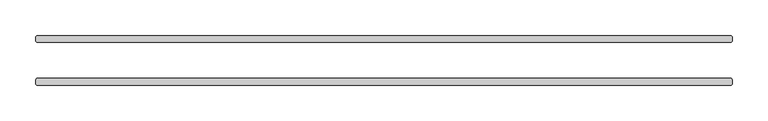
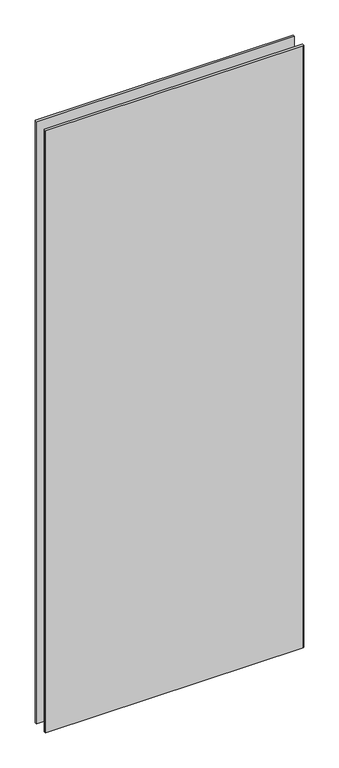
"""IFC4 building model written with IfcOpenShell, lengths in millimetres: plate geometry."""

import ifcopenshell
import ifcopenshell.guid

model = None  # the IFC model being written
_history = None  # IfcOwnerHistory: only IFC2X3 demands one
_inside = {}  # id of a spatial element -> (the spatial element, [elements in it])
_under = {}  # id of a project, library or spatial element -> (it, [spatial elements below it])
_declared = {}  # id of a project -> (the project, [libraries it declares])
_typed = {}  # id of a type object -> (the type object, [elements of that type])
_made_of = {}  # id of a material, layer set ... -> (it, [elements and type objects made of it])


def new_model(schema):
    """Start an empty IFC model of exactly this schema.

    Asked for "IFC4X3", IfcOpenShell would pick the latest addendum, in which some entities
    have other attributes; the version numbers below select the first issue.
    IFC2X3 requires an IfcOwnerHistory on every rooted entity: one is made here for all.
    """
    global model, _history
    if schema == "IFC4X3":
        model = ifcopenshell.file(schema_version=(4, 3, 0, 0))
    else:
        model = ifcopenshell.file(schema=schema)
    _inside.clear()
    _under.clear()
    _declared.clear()
    _typed.clear()
    _made_of.clear()
    _history = None
    if model.schema == "IFC2X3":
        org = make("IfcOrganization", Name="unknown")
        user = make(
            "IfcPersonAndOrganization",
            ThePerson=make("IfcPerson", FamilyName="unknown"),
            TheOrganization=org,
        )
        app = make(
            "IfcApplication",
            ApplicationDeveloper=org,
            Version="unknown",
            ApplicationFullName="unknown",
            ApplicationIdentifier="unknown",
        )
        _history = make(
            "IfcOwnerHistory",
            OwningUser=user,
            OwningApplication=app,
            ChangeAction="ADDED",
            CreationDate=0,
        )
    return model


def make(cls, **values):
    """One entity of the class cls with the attributes given. An attribute that is None is left unset."""
    return model.create_entity(
        cls, **{name: value for name, value in values.items() if value is not None}
    )


def rooted(cls, **values):
    """An entity with a GlobalId (a new one), such as an element, a storey or a relation."""
    return make(cls, GlobalId=ifcopenshell.guid.new(), OwnerHistory=_history, **values)


def si_unit(unit_type, name, prefix=None):
    """IfcSIUnit, for example si_unit("LENGTHUNIT", "METRE", prefix="MILLI")."""
    return make("IfcSIUnit", UnitType=unit_type, Prefix=prefix, Name=name)


def assignment(units):
    """IfcUnitAssignment: the units of a project."""
    return None if units is None else make("IfcUnitAssignment", Units=units)


def point(xyz):
    """IfcCartesianPoint."""
    return None if xyz is None else make("IfcCartesianPoint", Coordinates=xyz)


def direction(xyz):
    """IfcDirection."""
    return None if xyz is None else make("IfcDirection", DirectionRatios=xyz)


def frame(location, z_axis=None, x_axis=None):
    """IfcAxis2Placement3D, a coordinate frame: its origin and axes. An axis left out is left unset."""
    return make(
        "IfcAxis2Placement3D",
        Location=point(location),
        Axis=direction(z_axis),
        RefDirection=direction(x_axis),
    )


def origin():
    """The frame at (0, 0, 0) with its axes left unset."""
    return frame((0.0, 0.0, 0.0))


def origin_with_axes():
    """The frame at (0, 0, 0) with the z axis (0, 0, 1) and the x axis (1, 0, 0) written out."""
    return frame((0.0, 0.0, 0.0), z_axis=(0.0, 0.0, 1.0), x_axis=(1.0, 0.0, 0.0))


def place(relative_to, where):
    """IfcLocalPlacement: puts the frame where relative to a parent placement (None: the world)."""
    return make(
        "IfcLocalPlacement", PlacementRelTo=relative_to, RelativePlacement=where
    )


def context(
    kind, dimensions, precision=None, world=None, true_north=None, identifier=None
):
    """IfcGeometricRepresentationContext, for example the 3D "Model" context."""
    return make(
        "IfcGeometricRepresentationContext",
        ContextIdentifier=identifier,
        ContextType=kind,
        CoordinateSpaceDimension=dimensions,
        Precision=precision,
        WorldCoordinateSystem=world,
        TrueNorth=true_north,
    )


def project(units=None, contexts=None):
    """IfcProject with its units and contexts."""
    return rooted(
        "IfcProject",
        Name="project",
        RepresentationContexts=contexts,
        UnitsInContext=assignment(units),
    )


def spatial(cls, under=None, at=None, **own):
    """A site, building, storey or space (cls), placed at a placement, below another one or the project."""
    s = rooted(cls, ObjectPlacement=at, **own)
    if under is not None:
        _under.setdefault(under.id(), (under, []))[1].append(s)
    return s


def polyline(points):
    """IfcPolyline through the points."""
    return make("IfcPolyline", Points=[point(p) for p in points])


def outline(outer, holes=None, kind="AREA"):
    """IfcArbitraryClosedProfileDef: a profile drawn as a closed curve; with holes, ...WithVoids."""
    if holes is None:
        return make("IfcArbitraryClosedProfileDef", ProfileType=kind, OuterCurve=outer)
    return make(
        "IfcArbitraryProfileDefWithVoids",
        ProfileType=kind,
        OuterCurve=outer,
        InnerCurves=holes,
    )


def extrude(swept, where, along, depth):
    """IfcExtrudedAreaSolid: the profile swept, set in the frame where, extruded along a direction by depth."""
    return make(
        "IfcExtrudedAreaSolid",
        SweptArea=swept,
        Position=where,
        ExtrudedDirection=direction(along),
        Depth=depth,
    )


def shape(context_of_items, identifier, shape_type, items):
    """IfcShapeRepresentation: the items that make up one representation, for example the "Body"."""
    return make(
        "IfcShapeRepresentation",
        ContextOfItems=context_of_items,
        RepresentationIdentifier=identifier,
        RepresentationType=shape_type,
        Items=items,
    )


def source(mapping_origin, context_of_items, identifier, shape_type, items):
    """IfcRepresentationMap: a shape defined once, which mapped items show again and again."""
    return make(
        "IfcRepresentationMap",
        MappingOrigin=mapping_origin,
        MappedRepresentation=shape(context_of_items, identifier, shape_type, items),
    )


def transform(
    local_origin,
    x_axis=None,
    y_axis=None,
    z_axis=None,
    scale=None,
    scale2=None,
    scale3=None,
    uniform=True,
):
    """IfcCartesianTransformationOperator3D, or its non-uniform kind. x_axis, y_axis, z_axis: its Axis1, 2, 3."""
    if uniform:
        return make(
            "IfcCartesianTransformationOperator3D",
            Axis1=direction(x_axis),
            Axis2=direction(y_axis),
            LocalOrigin=point(local_origin),
            Scale=scale,
            Axis3=direction(z_axis),
        )
    return make(
        "IfcCartesianTransformationOperator3DnonUniform",
        Axis1=direction(x_axis),
        Axis2=direction(y_axis),
        LocalOrigin=point(local_origin),
        Scale=scale,
        Axis3=direction(z_axis),
        Scale2=scale2,
        Scale3=scale3,
    )


def mapped(mapping_source, mapping_target):
    """IfcMappedItem: shows the shape of a source again, moved by a transform."""
    return make(
        "IfcMappedItem", MappingSource=mapping_source, MappingTarget=mapping_target
    )


def made_of(thing, what):
    """Note that an element or type object is made of a material, layer set ...; save() writes the relation."""
    if what is not None:
        _made_of.setdefault(what.id(), (what, []))[1].append(thing)
    return thing


def element(
    cls,
    number,
    at=None,
    inside=None,
    cuts=None,
    type_object=None,
    material=None,
    context=None,
    identifier="Body",
    shape_type=None,
    held_by="IfcProductDefinitionShape",
    body=None,
    shapes=None,
    **own,
):
    """One element of the class cls, such as IfcWall. Its Tag is "e" and its number.

    at: its placement. inside: the storey or other place that contains it. cuts: it is an
    opening in that element (IfcRelVoidsElement). A single representation is given by context,
    identifier, shape_type and body (its items); several are given by shapes. held_by: the class
    of the entity that holds the representations. save() writes the other relations.
    """
    e = rooted(cls, Tag="e%d" % number, ObjectPlacement=at, **own)
    if body is not None:
        shapes = [shape(context, identifier, shape_type, body)]
    if shapes is not None:
        e.Representation = make(held_by, Representations=shapes)
    if inside is not None:
        _inside.setdefault(inside.id(), (inside, []))[1].append(e)
    if cuts is not None:
        rooted(
            "IfcRelVoidsElement", RelatingBuildingElement=cuts, RelatedOpeningElement=e
        )
    if type_object is not None:
        _typed.setdefault(type_object.id(), (type_object, []))[1].append(e)
    return made_of(e, material)


def aggregate(whole, parts):
    """IfcRelAggregates: a whole, such as a stair, and the parts it consists of."""
    return rooted("IfcRelAggregates", RelatingObject=whole, RelatedObjects=parts)


def save(model, path):
    """Write the relations noted so far, then the file.

    IfcRelAggregates (storeys below a building ...), IfcRelContainedInSpatialStructure (elements
    in a storey), IfcRelDefinesByType, IfcRelAssociatesMaterial and IfcRelDeclares: one each for
    every whole, place, type object, material and project.
    """
    for whole, parts in _under.values():
        aggregate(whole, parts)
    for where, things in _inside.values():
        rooted(
            "IfcRelContainedInSpatialStructure",
            RelatedElements=things,
            RelatingStructure=where,
        )
    for kind, things in _typed.values():
        rooted("IfcRelDefinesByType", RelatedObjects=things, RelatingType=kind)
    for what, things in _made_of.values():
        rooted("IfcRelAssociatesMaterial", RelatedObjects=things, RelatingMaterial=what)
    for by, libraries in _declared.values():
        rooted("IfcRelDeclares", RelatingContext=by, RelatedDefinitions=libraries)
    model.write(path)


def plate_38f93928(model_context):
    return source(origin(), model_context, "Body", "SweptSolid", [
        extrude(outline(polyline([(488.95, 25.4), (-488.95, 25.4), (-490.5375, 26.9875), (-490.5375, 33.3375), (-488.95, 34.925), (488.95, 34.925), (490.5375, 33.3375), (490.5375, 26.9875), (488.95, 25.4)])), origin_with_axes(), (0.0, 0.0, 1.0), 2417.7625023),
        extrude(outline(polyline([(488.95, -34.925), (-488.95, -34.925), (-490.5375, -33.3375), (-490.5375, -26.9875), (-488.95, -25.4), (488.95, -25.4), (490.5375, -26.9875), (490.5375, -33.3375), (488.95, -34.925)])), origin_with_axes(), (0.0, 0.0, 1.0), 2417.7625023),
    ])


if __name__ == "__main__":
    model = new_model("IFC4")
    model_context = context("Model", 3, world=origin())
    ifc_project = project(units=[si_unit("LENGTHUNIT", "METRE", prefix="MILLI")], contexts=[model_context])
    site = spatial("IfcSite", under=ifc_project)
    building = spatial("IfcBuilding", under=site)
    placement = place(None, origin())
    plate_shape = plate_38f93928(model_context)
    element("IfcPlate", 1, at=placement, inside=building, context=model_context, shape_type="MappedRepresentation", body=[
        mapped(plate_shape, transform((0.0, 0.0, 0.0), x_axis=(1.0, 0.0, 0.0), y_axis=(0.0, 1.0, 0.0), z_axis=(0.0, 0.0, 1.0))),
    ])
    save(model, "model.ifc")
